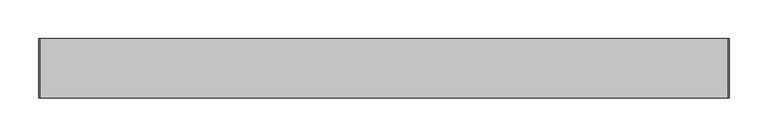
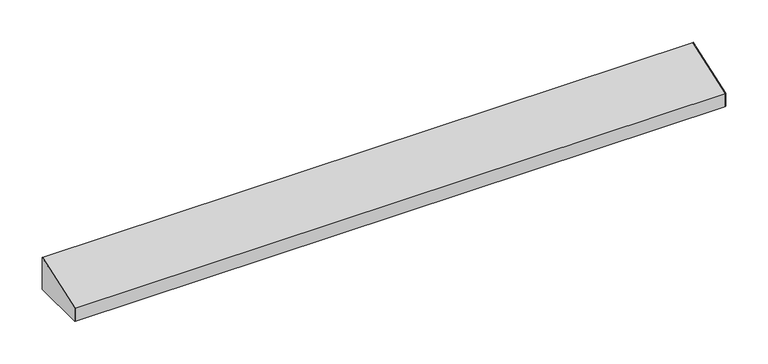
"""IFC4 building model written with IfcOpenShell, lengths in millimetres: furniture geometry."""

from ifc_helpers import new_model, si_unit, frame, origin, place, context, project, spatial, polyline, outline, extrude, source, transform, mapped, element, save


def furniture_0d9d6da5(model_context):
    return source(origin(), model_context, "Body", "SweptSolid", [
        extrude(outline(polyline([(-97.4564663, 2121.3257204), (-21.2564663, 2148.5820312), (-21.2564663, 2102.5445312), (-97.4564663, 2102.5445312), (-97.4564663, 2121.3257204)])), frame((461.6502049, 0.0, 0.0), z_axis=(1.0, 0.0, 0.0), x_axis=(0.0, 1.0, 0.0)), (0.0, 0.0, 1.0), 0.79375),
        extrude(outline(polyline([(-21.2564662, 2102.5445312), (-97.4564662, 2102.5445312), (-97.4564662, 2121.3257204), (-21.2564662, 2148.5820312), (-21.2564662, 2102.5445312)])), frame((-424.9685451, 0.0, 0.0), z_axis=(1.0, 0.0, 0.0), x_axis=(0.0, 1.0, 0.0)), (0.0, 0.0, 1.0), 0.79375),
        extrude(outline(polyline([(-21.2564662, 2102.5445312), (-33.9564662, 2102.5445312), (-33.9564662, 2103.3382812), (-22.0502162, 2103.3382812), (-22.0502162, 2147.4993799), (-96.6627162, 2120.8208717), (-96.6627162, 2103.3382812), (-84.7564662, 2103.3382812), (-84.7564662, 2102.5445312), (-97.4564662, 2102.5445312), (-97.4564662, 2121.3257204), (-21.2564662, 2148.5820312), (-21.2564662, 2102.5445312)])), frame((-424.1747951, 0.0, 0.0), z_axis=(1.0, 0.0, 0.0), x_axis=(0.0, 1.0, 0.0)), (0.0, 0.0, 1.0), 885.825),
    ])


if __name__ == "__main__":
    model = new_model("IFC4")
    model_context = context("Model", 3, world=origin())
    ifc_project = project(units=[si_unit("LENGTHUNIT", "METRE", prefix="MILLI")], contexts=[model_context])
    site = spatial("IfcSite", under=ifc_project)
    building = spatial("IfcBuilding", under=site)
    placement = place(None, origin())
    furniture_shape = furniture_0d9d6da5(model_context)
    element("IfcFurniture", 1, at=placement, inside=building, context=model_context, shape_type="MappedRepresentation", body=[
        mapped(furniture_shape, transform((0.0, 0.0, 0.0), x_axis=(1.0, 0.0, 0.0), y_axis=(0.0, 1.0, 0.0), z_axis=(0.0, 0.0, 1.0))),
    ])
    save(model, "model.ifc")
